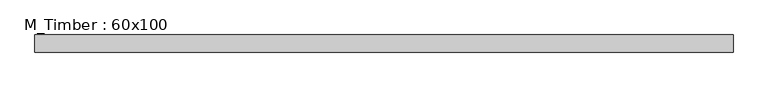
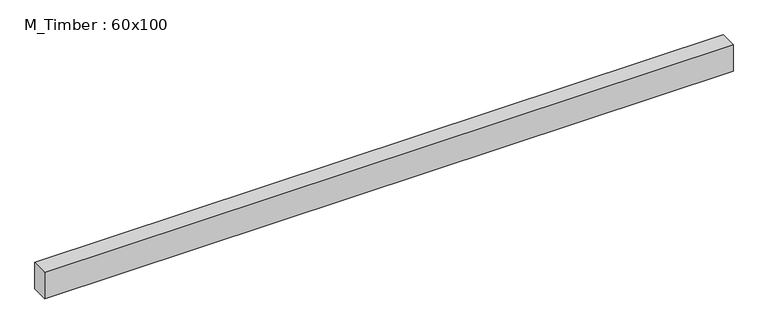
"""IFC4 building model written with IfcOpenShell, lengths in millimetres: beam geometry, M_Timber : 60x100."""

from ifc_helpers import new_model, si_unit, frame, origin, place, context, project, spatial, polyline, outline, extrude, source, transform, mapped, element, save


def m_timber_60x100_08dcdef0(model_context):
    return source(origin(), model_context, "Body", "SweptSolid", [
        extrude(outline(polyline([(1121.2628093, 30.0), (1121.2628093, -30.0), (-1329.4476877, -30.0), (-1329.4476877, 30.0), (1121.2628093, 30.0)])), frame((0.0, 0.0, -50.0), z_axis=(0.0, 0.0, 1.0), x_axis=(1.0, 0.0, 0.0)), (0.0, 0.0, 1.0), 100.0),
    ])


if __name__ == "__main__":
    model = new_model("IFC4")
    model_context = context("Model", 3, world=origin())
    ifc_project = project(units=[si_unit("LENGTHUNIT", "METRE", prefix="MILLI")], contexts=[model_context])
    site = spatial("IfcSite", under=ifc_project)
    building = spatial("IfcBuilding", under=site)
    placement = place(None, origin())
    m_timber_60x100_shape = m_timber_60x100_08dcdef0(model_context)
    element("IfcBeam", 1, ObjectType="M_Timber : 60x100", at=placement, inside=building, context=model_context, shape_type="MappedRepresentation", body=[
        mapped(m_timber_60x100_shape, transform((0.0, 0.0, 0.0), x_axis=(1.0, 0.0, 0.0), y_axis=(0.0, 1.0, 0.0), z_axis=(0.0, 0.0, 1.0))),
    ])
    save(model, "model.ifc")
